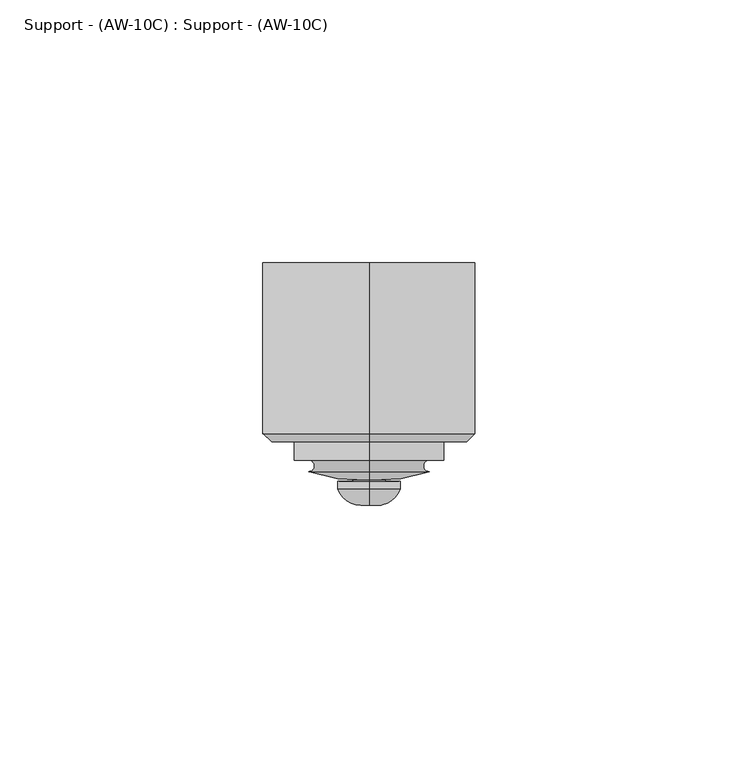
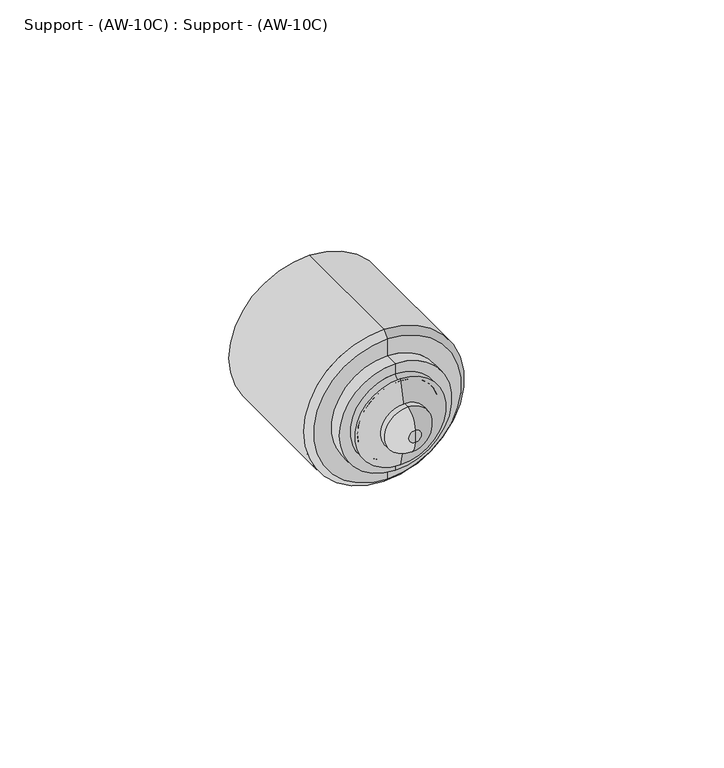
"""IFC4 building model written with IfcOpenShell, lengths in millimetres: proxy geometry, Support - (AW-10C) : Support - (AW-10C)."""

from ifc_helpers import new_model, si_unit, point, frame, origin, place, context, project, spatial, polyline, circle_curve, ellipse_curve, trimmed, source, transform, mapped, element, save
from ifc_brep_helpers import plane_surface, cylinder_surface, revolved_surface, advanced_brep


def support_aw_10c_support_aw_10c_890fc8d6(model_context):
    return source(origin(), model_context, "Body", "AdvancedBrep", [
        advanced_brep(
        [(0.0, -3.4932241, 12.1120187), (0.0, -3.4932241, 13.6995187), (0.0, -3.4932241, 10.5245187), (0.0, 42.681525, -8.1444813), (0.0, 42.681525, 32.3685187), (0.0, 42.681525, 12.1120187), (0.0, 10.156825, -8.1444813), (0.0, 10.156825, 32.3685187), (0.0, 8.569325, -6.5569813), (0.0, 8.569325, 30.7810187), (0.0, 8.569325, -2.1119813), (0.0, 8.569325, 26.3360187), (0.0, 5.0928437, -2.1119813), (0.0, 5.0928437, 26.3360187), (0.0, 5.0928437, 0.6230894), (0.0, 5.0928437, 23.600948), (0.0, 2.9180682, 0.623103), (0.0, 2.9180682, 23.6009344), (0.0, 1.3194149, 11.6783173), (0.0, 1.3194149, 12.54572), (0.0, 1.0759069, 6.1176187), (0.0, 1.0759069, 18.1064187), (0.0, -0.3817241, 6.1176187), (0.0, -0.3817241, 18.1064187)],
        [
            (0, 1),
            (1, 2, circle_curve(frame((0.0, -3.4932241, 12.1120187), z_axis=(0.0, -1.0, 0.0), x_axis=(0.0, 0.0, 1.0)), 1.5875)),
            (2, 0),
            (2, 1, circle_curve(frame((0.0, -3.4932241, 12.1120187), z_axis=(0.0, -1.0, 0.0), x_axis=(0.0, 0.0, 1.0)), 1.5875)),
            (3, 4, circle_curve(frame((0.0, 42.681525, 12.1120187), z_axis=(0.0, 1.0, 0.0), x_axis=(0.0, 0.0, 1.0)), 20.2565)),
            (4, 5),
            (5, 3),
            (4, 3, circle_curve(frame((0.0, 42.681525, 12.1120187), z_axis=(0.0, 1.0, 0.0), x_axis=(0.0, 0.0, 1.0)), 20.2565)),
            (6, 7, circle_curve(frame((0.0, 10.156825, 12.1120187), z_axis=(0.0, 1.0, 0.0), x_axis=(0.0, 0.0, 1.0)), 20.2565)),
            (7, 4),
            (3, 6),
            (7, 6, circle_curve(frame((0.0, 10.156825, 12.1120187), z_axis=(0.0, 1.0, 0.0), x_axis=(0.0, 0.0, 1.0)), 20.2565)),
            (8, 9, circle_curve(frame((0.0, 8.569325, 12.1120187), z_axis=(0.0, 1.0, 0.0), x_axis=(0.0, 0.0, 1.0)), 18.669)),
            (9, 7),
            (6, 8),
            (9, 8, circle_curve(frame((0.0, 8.569325, 12.1120187), z_axis=(0.0, 1.0, 0.0), x_axis=(0.0, 0.0, 1.0)), 18.669)),
            (10, 11, circle_curve(frame((0.0, 8.569325, 12.1120187), z_axis=(0.0, 1.0, 0.0), x_axis=(0.0, 0.0, 1.0)), 14.224)),
            (11, 9),
            (8, 10),
            (11, 10, circle_curve(frame((0.0, 8.569325, 12.1120187), z_axis=(0.0, 1.0, 0.0), x_axis=(0.0, 0.0, 1.0)), 14.224)),
            (12, 13, circle_curve(frame((0.0, 5.0928437, 12.1120187), z_axis=(0.0, 1.0, 0.0), x_axis=(0.0, 0.0, 1.0)), 14.224)),
            (13, 11),
            (10, 12),
            (13, 12, circle_curve(frame((0.0, 5.0928437, 12.1120187), z_axis=(0.0, 1.0, 0.0), x_axis=(0.0, 0.0, 1.0)), 14.224)),
            (14, 15, circle_curve(frame((0.0, 5.0928437, 12.1120187), z_axis=(0.0, 1.0, 0.0), x_axis=(0.0, 0.0, 1.0)), 11.4889293)),
            (15, 13),
            (12, 14),
            (15, 14, circle_curve(frame((0.0, 5.0928437, 12.1120187), z_axis=(0.0, 1.0, 0.0), x_axis=(0.0, 0.0, 1.0)), 11.4889293)),
            (16, 17, circle_curve(frame((0.0, 2.9180682, 12.1120187), z_axis=(0.0, 1.0, 0.0), x_axis=(0.0, 0.0, 1.0)), 11.4889157)),
            (17, 15, circle_curve(frame((0.0, 3.9966175, 23.6009344), z_axis=(1.0, 0.0, 0.0), x_axis=(0.0, 1.0, 0.0)), 1.0785493)),
            (14, 16, circle_curve(frame((0.0, 3.9966175, 0.623103), z_axis=(1.0, 0.0, 0.0), x_axis=(0.0, 1.0, 0.0)), 1.0785493)),
            (17, 16, circle_curve(frame((0.0, 2.9180682, 12.1120187), z_axis=(0.0, 1.0, 0.0), x_axis=(0.0, 0.0, 1.0)), 11.4889157)),
            (18, 19, circle_curve(frame((0.0, 1.3194149, 12.1120187), z_axis=(0.0, 1.0, 0.0), x_axis=(0.0, 0.0, 1.0)), 0.4337013)),
            (19, 17, circle_curve(frame((0.0, 31.2731279, 13.8574201), z_axis=(-1.0, 0.0, 0.0), x_axis=(0.0, 1.0, 0.0)), 29.9824196)),
            (16, 18, circle_curve(frame((0.0, 31.2731279, 10.3666172), z_axis=(-1.0, 0.0, 0.0), x_axis=(0.0, 1.0, 0.0)), 29.9824196)),
            (19, 18, circle_curve(frame((0.0, 1.3194149, 12.1120187), z_axis=(0.0, 1.0, 0.0), x_axis=(0.0, 0.0, 1.0)), 0.4337013)),
            (20, 21, circle_curve(frame((0.0, 1.0759069, 12.1120187), z_axis=(0.0, 1.0, 0.0), x_axis=(0.0, 0.0, 1.0)), 5.9944)),
            (21, 19),
            (18, 20),
            (21, 20, circle_curve(frame((0.0, 1.0759069, 12.1120187), z_axis=(0.0, 1.0, 0.0), x_axis=(0.0, 0.0, 1.0)), 5.9944)),
            (22, 23, circle_curve(frame((0.0, -0.3817241, 12.1120187), z_axis=(0.0, 1.0, 0.0), x_axis=(0.0, 0.0, 1.0)), 5.9944)),
            (23, 21),
            (20, 22),
            (23, 22, circle_curve(frame((0.0, -0.3817241, 12.1120187), z_axis=(0.0, 1.0, 0.0), x_axis=(0.0, 0.0, 1.0)), 5.9944)),
            (1, 23, circle_curve(frame((0.0, 1.1833306, 13.6995187), z_axis=(-1.0, 0.0, 0.0), x_axis=(0.0, 1.0, 0.0)), 4.6765547)),
            (22, 2, circle_curve(frame((0.0, 1.1833306, 10.5245187), z_axis=(-1.0, 0.0, 0.0), x_axis=(0.0, 1.0, 0.0)), 4.6765547)),
        ],
        [
            plane_surface(frame((0.0, -3.4932241, 12.1120187), z_axis=(0.0, -1.0, 0.0), x_axis=(0.0, 0.0, 1.0))),
            plane_surface(frame((0.0, 42.681525, 12.1120187), z_axis=(0.0, 1.0, 0.0), x_axis=(0.0, 0.0, 1.0))),
            cylinder_surface(frame((0.0, 42.681525, 12.1120187), z_axis=(0.0, -1.0, 0.0), x_axis=(0.0, 0.0, 1.0)), 20.2565),
            revolved_surface(polyline([(0.0, 10.156825, 32.3685187), (0.0, 8.569325, 30.7810187)]), (0.0, 42.681525, 12.1120187), (0.0, -1.0, 0.0)),
            plane_surface(frame((0.0, 8.569325, 12.1120187), z_axis=(0.0, -1.0, 0.0), x_axis=(0.0, 0.0, 1.0))),
            cylinder_surface(frame((0.0, 42.681525, 12.1120187), z_axis=(0.0, -1.0, 0.0), x_axis=(0.0, 0.0, 1.0)), 14.224),
            plane_surface(frame((0.0, 5.0928437, 12.1120187), z_axis=(0.0, -1.0, 0.0), x_axis=(0.0, 0.0, 1.0))),
            revolved_surface(trimmed(ellipse_curve(frame((0.0, 3.9966175, 23.6009344), z_axis=(-1.0, 0.0, 0.0), x_axis=(0.0, 1.0, 0.0)), 1.0785493, 1.0785493), [point((0.0, 5.0751668, 23.6009344))], [point((0.0, 2.9180682, 23.6009344))], True, "CARTESIAN"), (0.0, 42.681525, 12.1120187), (0.0, -1.0, 0.0)),
            revolved_surface(trimmed(ellipse_curve(frame((0.0, 31.2731279, 13.8574201), z_axis=(1.0, 0.0, 0.0), x_axis=(0.0, 1.0, 0.0)), 29.9824196, 29.9824196), [point((0.0, 2.9180682, 23.6009344))], [point((0.0, 1.3194149, 12.54572))], True, "CARTESIAN"), (0.0, 42.681525, 12.1120187), (0.0, -1.0, 0.0)),
            revolved_surface(polyline([(0.0, 1.3194149, 12.54572), (0.0, 1.0759069, 18.1064187)]), (0.0, 42.681525, 12.1120187), (0.0, -1.0, 0.0)),
            cylinder_surface(frame((0.0, 42.681525, 12.1120187), z_axis=(0.0, -1.0, 0.0), x_axis=(0.0, 0.0, 1.0)), 5.9944),
            revolved_surface(trimmed(ellipse_curve(frame((0.0, 1.1833306, 13.6995187), z_axis=(1.0, 0.0, 0.0), x_axis=(0.0, 1.0, 0.0)), 4.6765547, 4.6765547), [point((0.0, -0.3817241, 18.1064187))], [point((0.0, -3.4932241, 13.6995187))], True, "CARTESIAN"), (0.0, 42.681525, 12.1120187), (0.0, -1.0, 0.0)),
        ],
        [
            (0, [[1, 2, 3]]),
            (0, [[-3, 4, -1]]),
            (1, [[5, 6, 7]]),
            (1, [[8, -7, -6]]),
            (2, [[9, 10, -5, 11]]),
            (2, [[12, -11, -8, -10]]),
            (3, [[13, 14, -9, 15]]),
            (3, [[16, -15, -12, -14]]),
            (4, [[17, 18, -13, 19]]),
            (4, [[20, -19, -16, -18]]),
            (5, [[21, 22, -17, 23]]),
            (5, [[24, -23, -20, -22]]),
            (6, [[25, 26, -21, 27]]),
            (6, [[28, -27, -24, -26]]),
            (7, [[29, 30, -25, 31]]),
            (7, [[32, -31, -28, -30]]),
            (8, [[33, 34, -29, 35]]),
            (8, [[36, -35, -32, -34]]),
            (9, [[37, 38, -33, 39]]),
            (9, [[40, -39, -36, -38]]),
            (10, [[41, 42, -37, 43]]),
            (10, [[44, -43, -40, -42]]),
            (11, [[-2, 45, -41, 46]]),
            (11, [[-4, -46, -44, -45]]),
        ],
    ),
    ])


if __name__ == "__main__":
    model = new_model("IFC4")
    model_context = context("Model", 3, world=origin())
    ifc_project = project(units=[si_unit("LENGTHUNIT", "METRE", prefix="MILLI")], contexts=[model_context])
    site = spatial("IfcSite", under=ifc_project)
    building = spatial("IfcBuilding", under=site)
    placement = place(None, origin())
    support_aw_10c_support_aw_10c_shape = support_aw_10c_support_aw_10c_890fc8d6(model_context)
    element("IfcBuildingElementProxy", 1, Name="Support - (AW-10C) : Support - (AW-10C)", ObjectType="Support - (AW-10C) : Support - (AW-10C)", at=placement, inside=building, context=model_context, shape_type="MappedRepresentation", body=[
        mapped(support_aw_10c_support_aw_10c_shape, transform((0.0, 0.0, 0.0), x_axis=(1.0, 0.0, 0.0), y_axis=(0.0, 1.0, 0.0), z_axis=(0.0, 0.0, 1.0))),
    ])
    save(model, "model.ifc")
